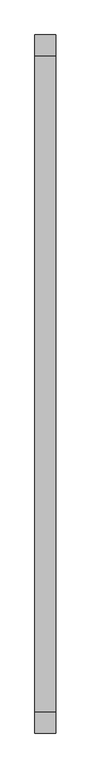
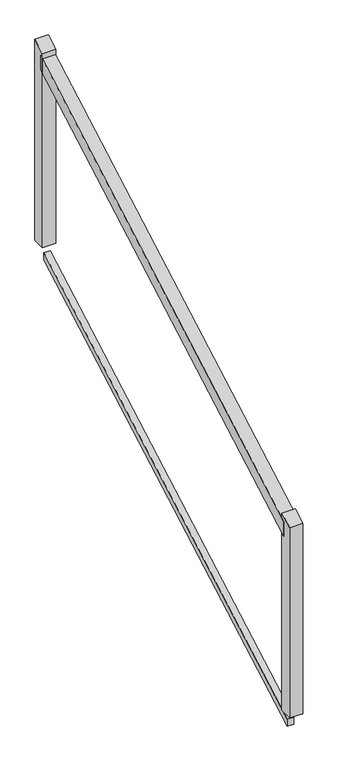
"""IFC4 building model written with IfcOpenShell, lengths in millimetres: railing geometry."""

from ifc_helpers import new_model, si_unit, frame, origin, place, context, project, spatial, polyline, outline, extrude, source, transform, mapped, element, save


def railing_42ec4ce1(model_context):
    return source(origin(), model_context, "Body", "SweptSolid", [
        extrude(outline(polyline([(119392.2077715, 369.639043), (119392.2077715, 427.960957), (121024.2077715, 1348.360957), (121024.2077715, 1290.039043), (119392.2077715, 369.639043)])), frame((-18255.5858677, 0.0, 0.0), z_axis=(1.0, 0.0, 0.0), x_axis=(0.0, 1.0, 0.0)), (0.0, 0.0, 1.0), 50.8),
        extrude(outline(polyline([(119392.2077715, -413.3804785), (119392.2077715, -384.2195215), (121024.2077715, 536.1804785), (121024.2077715, 507.0195215), (119392.2077715, -413.3804785)])), frame((-18242.8858677, 0.0, 0.0), z_axis=(1.0, 0.0, 0.0), x_axis=(0.0, 1.0, 0.0)), (0.0, 0.0, 1.0), 25.4),
        extrude(outline(polyline([(121011.5077715, 1362.9375735), (121062.3077715, 1391.5872794), (121062.3077715, 569.2), (121011.5077715, 569.2), (121011.5077715, 1362.9375735)])), frame((-18255.5858677, 0.0, 0.0), z_axis=(1.0, 0.0, 0.0), x_axis=(0.0, 1.0, 0.0)), (0.0, 0.0, 1.0), 50.8),
        extrude(outline(polyline([(119354.1077715, 428.2127206), (119404.9077715, 456.8624265), (119404.9077715, -351.2), (119354.1077715, -351.2), (119354.1077715, 428.2127206)])), frame((-18255.5858677, 0.0, 0.0), z_axis=(1.0, 0.0, 0.0), x_axis=(0.0, 1.0, 0.0)), (0.0, 0.0, 1.0), 50.8),
    ])


if __name__ == "__main__":
    model = new_model("IFC4")
    model_context = context("Model", 3, world=origin())
    ifc_project = project(units=[si_unit("LENGTHUNIT", "METRE", prefix="MILLI")], contexts=[model_context])
    site = spatial("IfcSite", under=ifc_project)
    building = spatial("IfcBuilding", under=site)
    placement = place(None, origin())
    railing_shape = railing_42ec4ce1(model_context)
    element("IfcRailing", 1, at=placement, inside=building, context=model_context, shape_type="MappedRepresentation", body=[
        mapped(railing_shape, transform((0.0, 0.0, 0.0), x_axis=(1.0, 0.0, 0.0), y_axis=(0.0, 1.0, 0.0), z_axis=(0.0, 0.0, 1.0))),
    ])
    save(model, "model.ifc")
